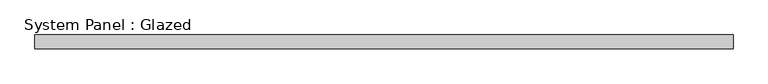
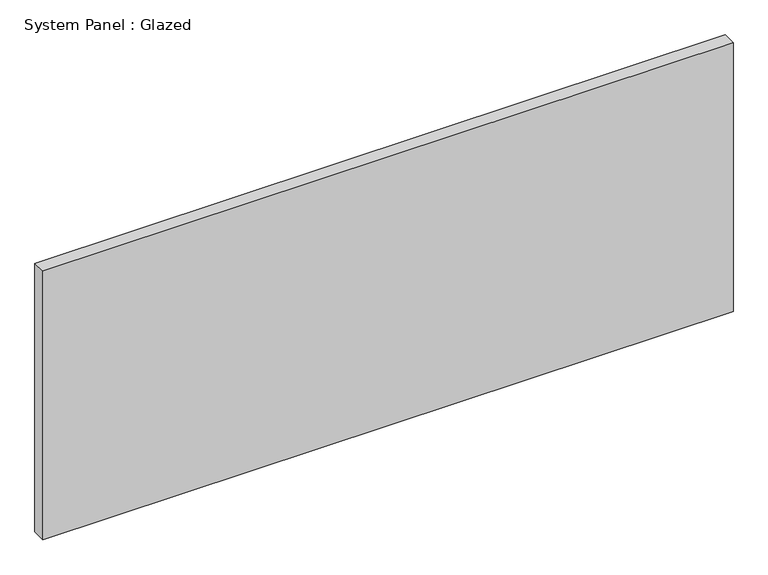
"""IFC4 building model written with IfcOpenShell, lengths in millimetres: plate geometry, System Panel : Glazed."""

from ifc_helpers import new_model, si_unit, origin, origin_with_axes, place, context, project, spatial, polyline, outline, extrude, source, transform, mapped, element, save


def system_panel_glazed_86257079(model_context):
    return source(origin(), model_context, "Body", "SweptSolid", [
        extrude(outline(polyline([(637.5, 24.5), (-637.5, 24.5), (-637.5, 49.5), (637.5, 49.5), (637.5, 24.5)])), origin_with_axes(), (0.0, 0.0, 1.0), 525.0),
    ])


if __name__ == "__main__":
    model = new_model("IFC4")
    model_context = context("Model", 3, world=origin())
    ifc_project = project(units=[si_unit("LENGTHUNIT", "METRE", prefix="MILLI")], contexts=[model_context])
    site = spatial("IfcSite", under=ifc_project)
    building = spatial("IfcBuilding", under=site)
    placement = place(None, origin())
    system_panel_glazed_shape = system_panel_glazed_86257079(model_context)
    element("IfcPlate", 1, ObjectType="System Panel : Glazed", at=placement, inside=building, context=model_context, shape_type="MappedRepresentation", body=[
        mapped(system_panel_glazed_shape, transform((0.0, 0.0, 0.0), x_axis=(1.0, 0.0, 0.0), y_axis=(0.0, 1.0, 0.0), z_axis=(0.0, 0.0, 1.0))),
    ])
    save(model, "model.ifc")
